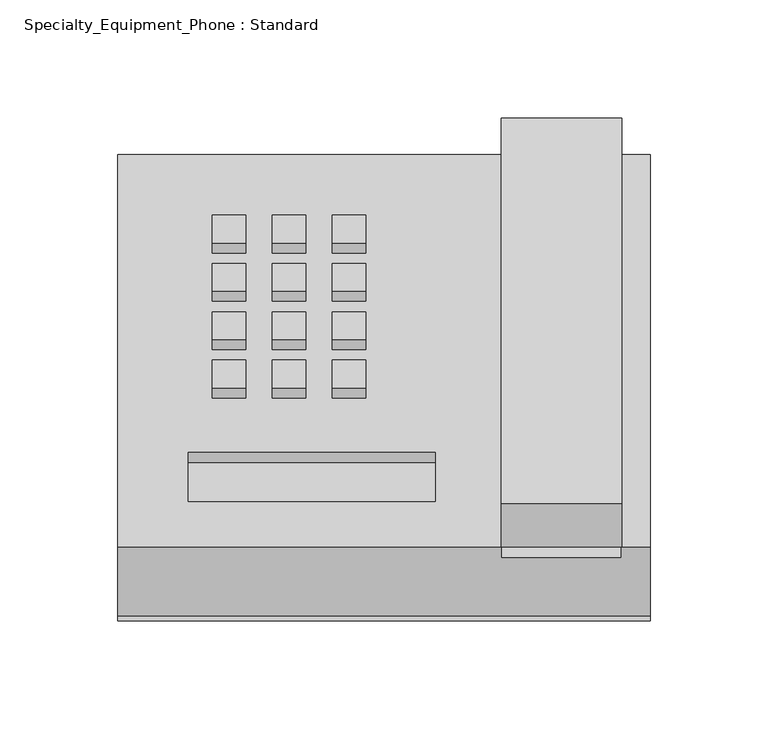
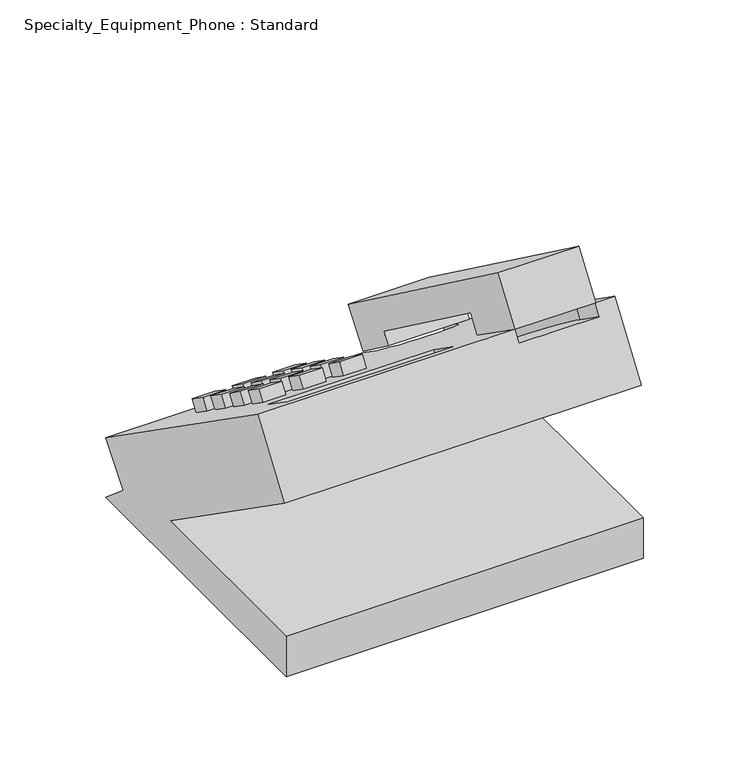
"""IFC4 building model written with IfcOpenShell, lengths in millimetres: proxy geometry, Specialty_Equipment_Phone : Standard."""

from ifc_helpers import new_model, si_unit, frame, origin, place, context, project, spatial, polyline, circle_curve, outline, extrude, source, transform, mapped, element, save
from ifc_brep_helpers import plane_surface, revolved_surface, advanced_brep


def specialty_equipment_phone_standard_558512c2(model_context):
    return source(origin(), model_context, "Body", "SolidModel", [
        extrude(outline(polyline([(192.7959916, 137.7049621), (185.5157661, 127.3077258), (144.4445351, 156.0661206), (162.9996365, 182.5655431), (326.4110834, 62.6228576), (310.4235365, 40.8412194), (282.6423577, 61.2323808), (287.6619827, 68.0708655), (192.7959916, 137.7049621)])), frame((-197.7434319, 0.0, 0.0), z_axis=(1.0, 0.0, 0.0), x_axis=(0.0, 1.0, 0.0)), (0.0, 0.0, 1.0), 51.1683357),
        advanced_brep(
        [(-134.6688462, 310.896229, 0.0), (-134.6688462, 291.4387001, 16.3268053), (-134.6688462, 310.896229, 39.5153852), (-134.6688462, 144.4445336, 156.0661171), (-134.6688462, 115.3068506, 114.4531932), (-134.6688462, 240.1456221, 27.0401443), (-134.6688462, 113.1456221, 27.0401443), (-134.6688462, 113.1456221, 0.0), (-360.0938462, 310.896229, 0.0), (-360.0938462, 113.1456221, 0.0), (-360.0938462, 113.1456221, 27.0401443), (-360.0938462, 240.1456221, 27.0401443), (-360.0938462, 115.3068506, 114.4531932), (-360.0938462, 144.4445336, 156.0661171), (-360.0938462, 310.896229, 39.5153852), (-360.0938462, 291.4387001, 16.3268053), (-197.7434319, 310.896229, 39.5153852), (-197.7434319, 305.774613, 33.411681), (-146.9434319, 305.774613, 33.411681), (-146.9434319, 310.896229, 39.5153852), (-146.9434319, 295.2913825, 50.4420163), (-197.7434319, 295.2913825, 50.4420163), (-197.7434319, 144.4445336, 156.0661171), (-197.7434319, 165.2509955, 141.4972756), (-146.9434319, 165.2509955, 141.4972756), (-146.9434319, 144.4445336, 156.0661171), (-225.6135974, 163.8453353, 142.4815295), (-330.264726, 163.8453353, 142.4815295), (-330.264726, 184.6517972, 127.912688), (-225.6135974, 184.6517972, 127.912688), (-146.9434319, 139.8917706, 149.5640977), (-197.7434319, 139.8917706, 149.5640977), (-330.264726, 159.2925723, 135.9795101), (-225.6135974, 159.2925723, 135.9795101), (-225.6135974, 180.0990342, 121.4106686), (-330.264726, 180.0990342, 121.4106686), (-146.9434319, 160.6982325, 134.9952562), (-197.7434319, 160.6982325, 134.9952562), (-197.7434319, 290.7386196, 43.939997), (-146.9434319, 290.7386196, 43.939997)],
        [
            (0, 1),
            (1, 2),
            (2, 3),
            (3, 4),
            (4, 5),
            (5, 6),
            (6, 7),
            (7, 0),
            (8, 9),
            (9, 10),
            (10, 11),
            (11, 12),
            (12, 13),
            (13, 14),
            (14, 15),
            (15, 8),
            (0, 8),
            (15, 1),
            (14, 16),
            (16, 17),
            (17, 18),
            (18, 19),
            (19, 2),
            (19, 20),
            (20, 21, circle_curve(frame((-172.3434319, 301.9734201, 45.7632032), z_axis=(0.0, -0.5735764363510482, -0.8191520442889905), x_axis=(-1.0, 0.0, 0.0)), 26.6777233)),
            (21, 16),
            (13, 22),
            (22, 23),
            (23, 24, circle_curve(frame((-172.3434319, 165.2509955, 141.4972756), z_axis=(0.0, -0.5735764363510482, -0.8191520442889905), x_axis=(-1.0, 0.0, 0.0)), 25.4)),
            (24, 25),
            (25, 3),
            (26, 27),
            (27, 28),
            (28, 29),
            (29, 26),
            (25, 30),
            (30, 31),
            (31, 22),
            (12, 4),
            (11, 5),
            (10, 6),
            (9, 7),
            (32, 33),
            (33, 34),
            (34, 35),
            (35, 32),
            (32, 27),
            (26, 33),
            (29, 34),
            (28, 35),
            (30, 36),
            (36, 37, circle_curve(frame((-172.3434319, 160.6982325, 134.9952562), z_axis=(0.0, 0.5735764363510482, 0.8191520442889905), x_axis=(-1.0, 0.0, 0.0)), 25.4)),
            (37, 31),
            (24, 36),
            (23, 37),
            (38, 39, circle_curve(frame((-172.3434319, 297.4206572, 39.2611839), z_axis=(0.0, 0.5735764363510482, 0.8191520442889905), x_axis=(-1.0, 0.0, 0.0)), 26.6777233)),
            (39, 18),
            (17, 38),
            (39, 20),
            (21, 38),
        ],
        [
            plane_surface(frame((-134.6688462, 310.896229, 0.0), z_axis=(1.0, 0.0, 0.0), x_axis=(0.0, -0.7660444431189765, 0.6427876096865413))),
            plane_surface(frame((-360.0938462, 310.896229, 0.0), z_axis=(-1.0, 0.0, 0.0), x_axis=(0.0, 0.7660444431189765, -0.6427876096865413))),
            plane_surface(frame((-134.6688462, 310.896229, 0.0), z_axis=(0.0, 0.6427876096865413, 0.7660444431189765), x_axis=(-1.0, 0.0, 0.0))),
            plane_surface(frame((-134.6688462, 291.4387001, 16.3268053), z_axis=(0.0, 0.7660444431189771, -0.6427876096865404), x_axis=(-1.0, 0.0, 0.0))),
            plane_surface(frame((-134.6688462, 310.896229, 39.5153852), z_axis=(0.0, 0.5735764363510482, 0.8191520442889905), x_axis=(-1.0, 0.0, 0.0))),
            plane_surface(frame((-134.6688462, 144.4445336, 156.0661171), z_axis=(0.0, -0.8191520442889915, 0.5735764363510467), x_axis=(-1.0, 0.0, 0.0))),
            plane_surface(frame((-134.6688462, 115.3068506, 114.4531932), z_axis=(0.0, -0.57357643635105, -0.819152044288989), x_axis=(-1.0, 0.0, 0.0))),
            plane_surface(frame((-134.6688462, 240.1456221, 27.0401443), z_axis=(0.0, 0.0, 1.0), x_axis=(-1.0, 0.0, 0.0))),
            plane_surface(frame((-134.6688462, 113.1456221, 27.0401443), z_axis=(0.0, -1.0, 0.0), x_axis=(-1.0, 0.0, 0.0))),
            plane_surface(frame((-134.6688462, 113.1456221, 0.0), z_axis=(0.0, 0.0, -1.0), x_axis=(-1.0, 0.0, 0.0))),
            plane_surface(frame((-203.264726, 159.2925723, 135.9795101), z_axis=(0.0, 0.5735764363510482, 0.8191520442889905), x_axis=(-1.0, 0.0, 0.0))),
            plane_surface(frame((-330.264726, 163.8453353, 142.4815295), z_axis=(0.0, 0.8191520442889894, -0.5735764363510496), x_axis=(0.0, -0.5735764363510496, -0.8191520442889894))),
            plane_surface(frame((-225.6135974, 163.8453353, 142.4815295), z_axis=(-1.0, 0.0, 0.0), x_axis=(0.0, -0.5735764363510496, -0.8191520442889894))),
            plane_surface(frame((-225.6135974, 184.6517972, 127.912688), z_axis=(0.0, -0.8191520442889894, 0.5735764363510496), x_axis=(0.0, -0.5735764363510496, -0.8191520442889894))),
            plane_surface(frame((-330.264726, 184.6517972, 127.912688), z_axis=(1.0, 0.0, 0.0), x_axis=(0.0, -0.5735764363510496, -0.8191520442889894))),
            plane_surface(frame((-146.9434319, 139.8917706, 149.5640977), z_axis=(0.0, 0.5735764363510482, 0.8191520442889905), x_axis=(-1.0, 0.0, 0.0))),
            plane_surface(frame((-146.9434319, 144.4445336, 156.0661171), z_axis=(-1.0, 0.0, 0.0), x_axis=(0.0, -0.5735764363510482, -0.8191520442889904))),
            revolved_surface(polyline([(-197.74343190000002, 165.25099549829952, 141.4972756011907), (-197.74343190000002, 160.6982325, 134.9952562)]), (-172.3434319, 160.6982325, 134.9952562), (0.0, 0.5735764363510482, 0.8191520442889905)),
            plane_surface(frame((-197.7434319, 165.2509955, 141.4972756), z_axis=(1.0, 0.0, 0.0), x_axis=(0.0, -0.5735764363510467, -0.8191520442889914))),
            plane_surface(frame((-146.9434319, 308.4443251, 31.5423285), z_axis=(0.0, 0.5735764363510482, 0.8191520442889905), x_axis=(0.0, -0.8191520442889905, 0.5735764363510482))),
            plane_surface(frame((-146.9434319, 295.2913825, 50.4420163), z_axis=(-1.0000000000000002, 0.0, 0.0), x_axis=(0.0, -0.5735764363510492, -0.8191520442889898))),
            plane_surface(frame((-197.7434319, 312.997088, 38.0443478), z_axis=(1.0000000000000002, 0.0, 0.0), x_axis=(0.0, -0.5735764363510492, -0.8191520442889898))),
            revolved_surface(polyline([(-199.0211552, 301.97342011929885, 45.76320318836605), (-199.0211552, 297.4206572, 39.2611839)]), (-172.3434319, 297.4206572, 39.2611839), (0.0, 0.5735764363510482, 0.8191520442889905)),
        ],
        [
            (0, [[1, 2, 3, 4, 5, 6, 7, 8]]),
            (1, [[9, 10, 11, 12, 13, 14, 15, 16]]),
            (2, [[-1, 17, -16, 18]]),
            (3, [[-2, -18, -15, 19, 20, 21, 22, 23]]),
            (4, [[-3, -23, 24, 25, 26, -19, -14, 27, 28, 29, 30, 31], [32, 33, 34, 35]]),
            (5, [[-4, -31, 36, 37, 38, -27, -13, 39]]),
            (6, [[-5, -39, -12, 40]]),
            (7, [[-6, -40, -11, 41]]),
            (8, [[-7, -41, -10, 42]]),
            (9, [[-8, -42, -9, -17]]),
            (10, [[43, 44, 45, 46]]),
            (11, [[-43, 47, -32, 48]]),
            (12, [[-44, -48, -35, 49]]),
            (13, [[-45, -49, -34, 50]]),
            (14, [[-46, -50, -33, -47]]),
            (15, [[51, 52, 53, -37]]),
            (16, [[-51, -36, -30, 54]]),
            (17, [[-52, -54, -29, 55]]),
            (18, [[-53, -55, -28, -38]]),
            (19, [[56, 57, -21, 58]]),
            (20, [[59, -24, -22, -57]]),
            (21, [[60, -58, -20, -26]]),
            (22, [[-56, -60, -25, -59]]),
        ],
    ),
        extrude(outline(polyline([(14.2875, 0.0), (14.2875, -14.3927765), (0.0, -14.3927765), (0.0, 0.0), (14.2875, 0.0)])), frame((-255.1016834, 268.8369681, 68.9655967), z_axis=(0.0, 0.5735764363510482, 0.8191520442889905), x_axis=(-1.0, 0.0, 0.0)), (0.0, 0.0, 1.0), 7.9375),
        extrude(outline(polyline([(39.6875, 0.0), (39.6875, -14.3927765), (25.4, -14.3927765), (25.4, 0.0), (39.6875, 0.0)])), frame((-255.1016834, 268.8369681, 68.9655967), z_axis=(0.0, 0.5735764363510482, 0.8191520442889905), x_axis=(-1.0, 0.0, 0.0)), (0.0, 0.0, 1.0), 7.9375),
        extrude(outline(polyline([(65.0875, 0.0), (65.0875, -14.3927765), (50.8, -14.3927765), (50.8, 0.0), (65.0875, 0.0)])), frame((-255.1016834, 268.8369681, 68.9655967), z_axis=(0.0, 0.5735764363510482, 0.8191520442889905), x_axis=(-1.0, 0.0, 0.0)), (0.0, 0.0, 1.0), 7.9375),
        extrude(outline(polyline([(14.2875, 25.0), (14.2875, 10.6072235), (0.0, 10.6072235), (0.0, 25.0), (14.2875, 25.0)])), frame((-255.1016834, 268.8369681, 68.9655967), z_axis=(0.0, 0.5735764363510482, 0.8191520442889905), x_axis=(-1.0, 0.0, 0.0)), (0.0, 0.0, 1.0), 7.9375),
        extrude(outline(polyline([(39.6875, 25.0), (39.6875, 10.6072235), (25.4, 10.6072235), (25.4, 25.0), (39.6875, 25.0)])), frame((-255.1016834, 268.8369681, 68.9655967), z_axis=(0.0, 0.5735764363510482, 0.8191520442889905), x_axis=(-1.0, 0.0, 0.0)), (0.0, 0.0, 1.0), 7.9375),
        extrude(outline(polyline([(65.0875, 25.0), (65.0875, 10.6072235), (50.8, 10.6072235), (50.8, 25.0), (65.0875, 25.0)])), frame((-255.1016834, 268.8369681, 68.9655967), z_axis=(0.0, 0.5735764363510482, 0.8191520442889905), x_axis=(-1.0, 0.0, 0.0)), (0.0, 0.0, 1.0), 7.9375),
        extrude(outline(polyline([(14.2875, 50.0), (14.2875, 35.6072235), (0.0, 35.6072235), (0.0, 50.0), (14.2875, 50.0)])), frame((-255.1016834, 268.8369681, 68.9655967), z_axis=(0.0, 0.5735764363510482, 0.8191520442889905), x_axis=(-1.0, 0.0, 0.0)), (0.0, 0.0, 1.0), 7.9375),
        extrude(outline(polyline([(39.6875, 50.0), (39.6875, 35.6072235), (25.4, 35.6072235), (25.4, 50.0), (39.6875, 50.0)])), frame((-255.1016834, 268.8369681, 68.9655967), z_axis=(0.0, 0.5735764363510482, 0.8191520442889905), x_axis=(-1.0, 0.0, 0.0)), (0.0, 0.0, 1.0), 7.9375),
        extrude(outline(polyline([(65.0875, 50.0), (65.0875, 35.6072235), (50.8, 35.6072235), (50.8, 50.0), (65.0875, 50.0)])), frame((-255.1016834, 268.8369681, 68.9655967), z_axis=(0.0, 0.5735764363510482, 0.8191520442889905), x_axis=(-1.0, 0.0, 0.0)), (0.0, 0.0, 1.0), 7.9375),
        extrude(outline(polyline([(14.2875, 75.0), (14.2875, 60.6072235), (0.0, 60.6072235), (0.0, 75.0), (14.2875, 75.0)])), frame((-255.1016834, 268.8369681, 68.9655967), z_axis=(0.0, 0.5735764363510482, 0.8191520442889905), x_axis=(-1.0, 0.0, 0.0)), (0.0, 0.0, 1.0), 7.9375),
        extrude(outline(polyline([(39.6875, 75.0), (39.6875, 60.6072235), (25.4, 60.6072235), (25.4, 75.0), (39.6875, 75.0)])), frame((-255.1016834, 268.8369681, 68.9655967), z_axis=(0.0, 0.5735764363510482, 0.8191520442889905), x_axis=(-1.0, 0.0, 0.0)), (0.0, 0.0, 1.0), 7.9375),
        extrude(outline(polyline([(65.0875, 75.0), (65.0875, 60.6072235), (50.8, 60.6072235), (50.8, 75.0), (65.0875, 75.0)])), frame((-255.1016834, 268.8369681, 68.9655967), z_axis=(0.0, 0.5735764363510482, 0.8191520442889905), x_axis=(-1.0, 0.0, 0.0)), (0.0, 0.0, 1.0), 7.9375),
    ])


if __name__ == "__main__":
    model = new_model("IFC4")
    model_context = context("Model", 3, world=origin())
    ifc_project = project(units=[si_unit("LENGTHUNIT", "METRE", prefix="MILLI")], contexts=[model_context])
    site = spatial("IfcSite", under=ifc_project)
    building = spatial("IfcBuilding", under=site)
    placement = place(None, origin())
    specialty_equipment_phone_standard_shape = specialty_equipment_phone_standard_558512c2(model_context)
    element("IfcBuildingElementProxy", 1, Name="Specialty_Equipment_Phone : Standard", ObjectType="Specialty_Equipment_Phone : Standard", at=placement, inside=building, context=model_context, shape_type="MappedRepresentation", body=[
        mapped(specialty_equipment_phone_standard_shape, transform((0.0, 0.0, 0.0), x_axis=(1.0, 0.0, 0.0), y_axis=(0.0, 1.0, 0.0), z_axis=(0.0, 0.0, 1.0))),
    ])
    save(model, "model.ifc")
